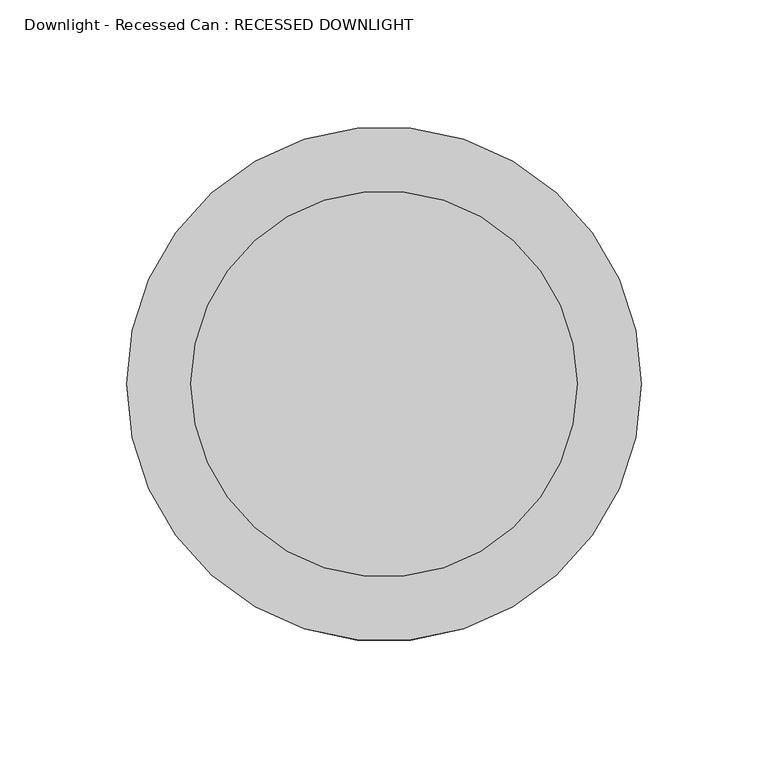
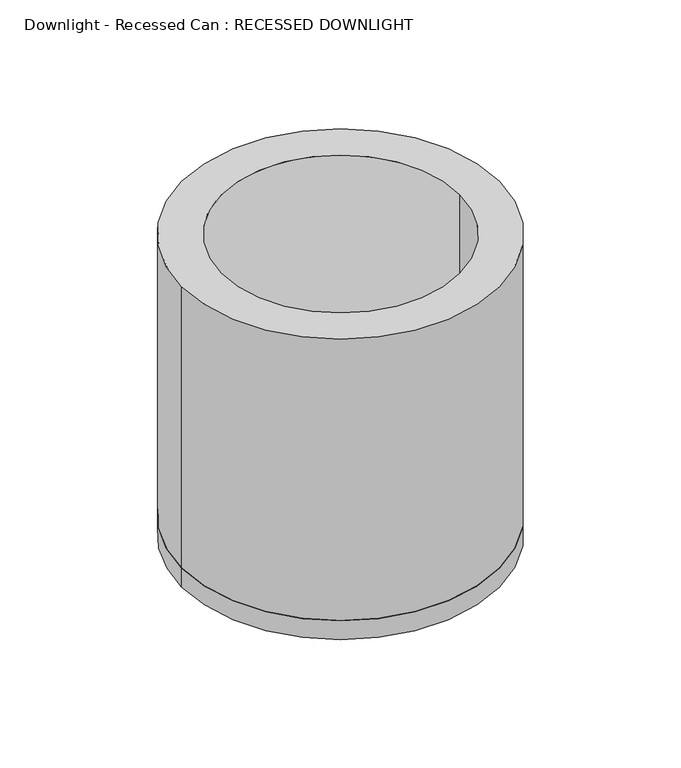
"""IFC4 building model written with IfcOpenShell, lengths in millimetres: light fixture geometry, Downlight - Recessed Can : RECESSED DOWNLIGHT."""

from ifc_helpers import new_model, si_unit, point, frame, origin, origin_2d, place, context, project, spatial, circle_curve, trimmed, segment, composite_curve, outline, extrude, source, transform, mapped, element, save


def downlight_recessed_can_recessed_downlight_66915e3b(model_context):
    return source(origin(), model_context, "Body", "SweptSolid", [
        extrude(outline(composite_curve([segment(trimmed(circle_curve(origin_2d(), 101.6), [point((-101.6, 0.0))], [point((101.6, 0.0))], False, "CARTESIAN"), True, "CONTINUOUS"), segment(trimmed(circle_curve(origin_2d(), 101.6), [point((101.6, 0.0))], [point((-101.6, 0.0))], False, "CARTESIAN"), True, "CONTINUOUS")], self_intersect=False)), frame((0.0, 0.0, -203.2), z_axis=(0.0, 0.0, 1.0), x_axis=(1.0, 0.0, 0.0)), (0.0, 0.0, 1.0), 12.7),
        extrude(outline(composite_curve([segment(trimmed(circle_curve(origin_2d(), 101.6), [point((-101.6, 0.0))], [point((101.6, 0.0))], False, "CARTESIAN"), True, "CONTINUOUS"), segment(trimmed(circle_curve(origin_2d(), 101.6), [point((101.6, 0.0))], [point((-101.6, 0.0))], False, "CARTESIAN"), True, "CONTINUOUS")], self_intersect=False), holes=[composite_curve([segment(trimmed(circle_curve(origin_2d(), 76.2), [point((-76.2, 0.0))], [point((76.2, 0.0))], True, "CARTESIAN"), True, "CONTINUOUS"), segment(trimmed(circle_curve(origin_2d(), 76.2), [point((76.2, 0.0))], [point((-76.2, 0.0))], True, "CARTESIAN"), True, "CONTINUOUS")], self_intersect=False)]), frame((0.0, 0.0, -190.5), z_axis=(0.0, 0.0, 1.0), x_axis=(1.0, 0.0, 0.0)), (0.0, 0.0, 1.0), 190.5),
    ])


if __name__ == "__main__":
    model = new_model("IFC4")
    model_context = context("Model", 3, world=origin())
    ifc_project = project(units=[si_unit("LENGTHUNIT", "METRE", prefix="MILLI")], contexts=[model_context])
    site = spatial("IfcSite", under=ifc_project)
    building = spatial("IfcBuilding", under=site)
    placement = place(None, origin())
    downlight_recessed_can_recessed_downlight_shape = downlight_recessed_can_recessed_downlight_66915e3b(model_context)
    element("IfcLightFixture", 1, ObjectType="Downlight - Recessed Can : RECESSED DOWNLIGHT", at=placement, inside=building, context=model_context, shape_type="MappedRepresentation", body=[
        mapped(downlight_recessed_can_recessed_downlight_shape, transform((0.0, 0.0, 0.0), x_axis=(1.0, 0.0, 0.0), y_axis=(0.0, 1.0, 0.0), z_axis=(0.0, 0.0, 1.0))),
    ])
    save(model, "model.ifc")
